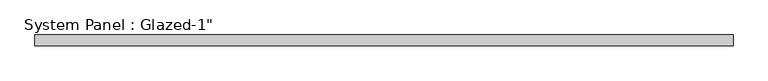
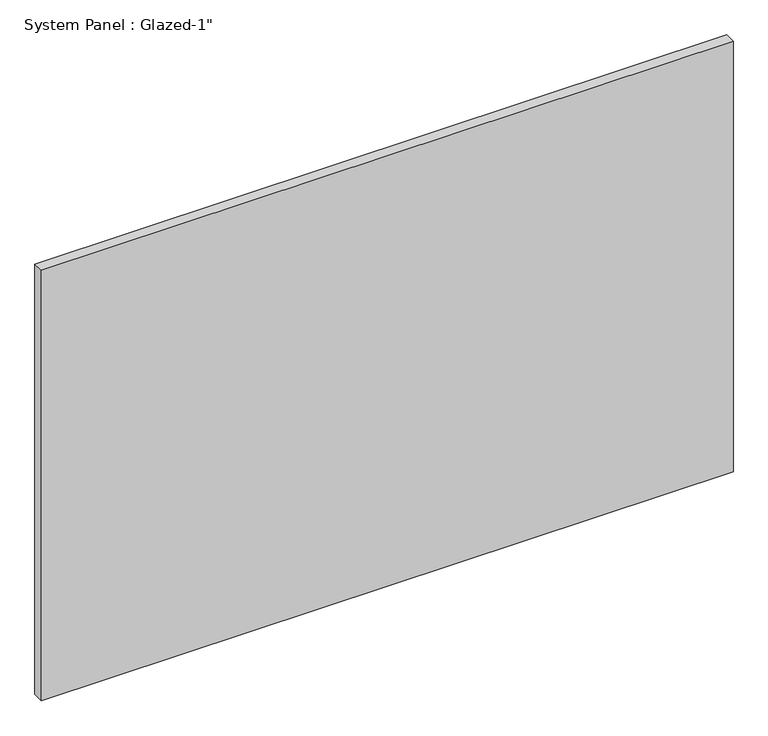
"""IFC4 building model written with IfcOpenShell, lengths in millimetres: plate geometry."""

import ifcopenshell
import ifcopenshell.guid

model = None  # the IFC model being written
_history = None  # IfcOwnerHistory: only IFC2X3 demands one
_inside = {}  # id of a spatial element -> (the spatial element, [elements in it])
_under = {}  # id of a project, library or spatial element -> (it, [spatial elements below it])
_declared = {}  # id of a project -> (the project, [libraries it declares])
_typed = {}  # id of a type object -> (the type object, [elements of that type])
_made_of = {}  # id of a material, layer set ... -> (it, [elements and type objects made of it])


def new_model(schema):
    """Start an empty IFC model of exactly this schema.

    Asked for "IFC4X3", IfcOpenShell would pick the latest addendum, in which some entities
    have other attributes; the version numbers below select the first issue.
    IFC2X3 requires an IfcOwnerHistory on every rooted entity: one is made here for all.
    """
    global model, _history
    if schema == "IFC4X3":
        model = ifcopenshell.file(schema_version=(4, 3, 0, 0))
    else:
        model = ifcopenshell.file(schema=schema)
    _inside.clear()
    _under.clear()
    _declared.clear()
    _typed.clear()
    _made_of.clear()
    _history = None
    if model.schema == "IFC2X3":
        org = make("IfcOrganization", Name="unknown")
        user = make(
            "IfcPersonAndOrganization",
            ThePerson=make("IfcPerson", FamilyName="unknown"),
            TheOrganization=org,
        )
        app = make(
            "IfcApplication",
            ApplicationDeveloper=org,
            Version="unknown",
            ApplicationFullName="unknown",
            ApplicationIdentifier="unknown",
        )
        _history = make(
            "IfcOwnerHistory",
            OwningUser=user,
            OwningApplication=app,
            ChangeAction="ADDED",
            CreationDate=0,
        )
    return model


def make(cls, **values):
    """One entity of the class cls with the attributes given. An attribute that is None is left unset."""
    return model.create_entity(
        cls, **{name: value for name, value in values.items() if value is not None}
    )


def rooted(cls, **values):
    """An entity with a GlobalId (a new one), such as an element, a storey or a relation."""
    return make(cls, GlobalId=ifcopenshell.guid.new(), OwnerHistory=_history, **values)


def si_unit(unit_type, name, prefix=None):
    """IfcSIUnit, for example si_unit("LENGTHUNIT", "METRE", prefix="MILLI")."""
    return make("IfcSIUnit", UnitType=unit_type, Prefix=prefix, Name=name)


def assignment(units):
    """IfcUnitAssignment: the units of a project."""
    return None if units is None else make("IfcUnitAssignment", Units=units)


def point(xyz):
    """IfcCartesianPoint."""
    return None if xyz is None else make("IfcCartesianPoint", Coordinates=xyz)


def direction(xyz):
    """IfcDirection."""
    return None if xyz is None else make("IfcDirection", DirectionRatios=xyz)


def frame(location, z_axis=None, x_axis=None):
    """IfcAxis2Placement3D, a coordinate frame: its origin and axes. An axis left out is left unset."""
    return make(
        "IfcAxis2Placement3D",
        Location=point(location),
        Axis=direction(z_axis),
        RefDirection=direction(x_axis),
    )


def origin():
    """The frame at (0, 0, 0) with its axes left unset."""
    return frame((0.0, 0.0, 0.0))


def origin_with_axes():
    """The frame at (0, 0, 0) with the z axis (0, 0, 1) and the x axis (1, 0, 0) written out."""
    return frame((0.0, 0.0, 0.0), z_axis=(0.0, 0.0, 1.0), x_axis=(1.0, 0.0, 0.0))


def place(relative_to, where):
    """IfcLocalPlacement: puts the frame where relative to a parent placement (None: the world)."""
    return make(
        "IfcLocalPlacement", PlacementRelTo=relative_to, RelativePlacement=where
    )


def context(
    kind, dimensions, precision=None, world=None, true_north=None, identifier=None
):
    """IfcGeometricRepresentationContext, for example the 3D "Model" context."""
    return make(
        "IfcGeometricRepresentationContext",
        ContextIdentifier=identifier,
        ContextType=kind,
        CoordinateSpaceDimension=dimensions,
        Precision=precision,
        WorldCoordinateSystem=world,
        TrueNorth=true_north,
    )


def project(units=None, contexts=None):
    """IfcProject with its units and contexts."""
    return rooted(
        "IfcProject",
        Name="project",
        RepresentationContexts=contexts,
        UnitsInContext=assignment(units),
    )


def spatial(cls, under=None, at=None, **own):
    """A site, building, storey or space (cls), placed at a placement, below another one or the project."""
    s = rooted(cls, ObjectPlacement=at, **own)
    if under is not None:
        _under.setdefault(under.id(), (under, []))[1].append(s)
    return s


def polyline(points):
    """IfcPolyline through the points."""
    return make("IfcPolyline", Points=[point(p) for p in points])


def outline(outer, holes=None, kind="AREA"):
    """IfcArbitraryClosedProfileDef: a profile drawn as a closed curve; with holes, ...WithVoids."""
    if holes is None:
        return make("IfcArbitraryClosedProfileDef", ProfileType=kind, OuterCurve=outer)
    return make(
        "IfcArbitraryProfileDefWithVoids",
        ProfileType=kind,
        OuterCurve=outer,
        InnerCurves=holes,
    )


def extrude(swept, where, along, depth):
    """IfcExtrudedAreaSolid: the profile swept, set in the frame where, extruded along a direction by depth."""
    return make(
        "IfcExtrudedAreaSolid",
        SweptArea=swept,
        Position=where,
        ExtrudedDirection=direction(along),
        Depth=depth,
    )


def shape(context_of_items, identifier, shape_type, items):
    """IfcShapeRepresentation: the items that make up one representation, for example the "Body"."""
    return make(
        "IfcShapeRepresentation",
        ContextOfItems=context_of_items,
        RepresentationIdentifier=identifier,
        RepresentationType=shape_type,
        Items=items,
    )


def source(mapping_origin, context_of_items, identifier, shape_type, items):
    """IfcRepresentationMap: a shape defined once, which mapped items show again and again."""
    return make(
        "IfcRepresentationMap",
        MappingOrigin=mapping_origin,
        MappedRepresentation=shape(context_of_items, identifier, shape_type, items),
    )


def transform(
    local_origin,
    x_axis=None,
    y_axis=None,
    z_axis=None,
    scale=None,
    scale2=None,
    scale3=None,
    uniform=True,
):
    """IfcCartesianTransformationOperator3D, or its non-uniform kind. x_axis, y_axis, z_axis: its Axis1, 2, 3."""
    if uniform:
        return make(
            "IfcCartesianTransformationOperator3D",
            Axis1=direction(x_axis),
            Axis2=direction(y_axis),
            LocalOrigin=point(local_origin),
            Scale=scale,
            Axis3=direction(z_axis),
        )
    return make(
        "IfcCartesianTransformationOperator3DnonUniform",
        Axis1=direction(x_axis),
        Axis2=direction(y_axis),
        LocalOrigin=point(local_origin),
        Scale=scale,
        Axis3=direction(z_axis),
        Scale2=scale2,
        Scale3=scale3,
    )


def mapped(mapping_source, mapping_target):
    """IfcMappedItem: shows the shape of a source again, moved by a transform."""
    return make(
        "IfcMappedItem", MappingSource=mapping_source, MappingTarget=mapping_target
    )


def made_of(thing, what):
    """Note that an element or type object is made of a material, layer set ...; save() writes the relation."""
    if what is not None:
        _made_of.setdefault(what.id(), (what, []))[1].append(thing)
    return thing


def element(
    cls,
    number,
    at=None,
    inside=None,
    cuts=None,
    type_object=None,
    material=None,
    context=None,
    identifier="Body",
    shape_type=None,
    held_by="IfcProductDefinitionShape",
    body=None,
    shapes=None,
    **own,
):
    """One element of the class cls, such as IfcWall. Its Tag is "e" and its number.

    at: its placement. inside: the storey or other place that contains it. cuts: it is an
    opening in that element (IfcRelVoidsElement). A single representation is given by context,
    identifier, shape_type and body (its items); several are given by shapes. held_by: the class
    of the entity that holds the representations. save() writes the other relations.
    """
    e = rooted(cls, Tag="e%d" % number, ObjectPlacement=at, **own)
    if body is not None:
        shapes = [shape(context, identifier, shape_type, body)]
    if shapes is not None:
        e.Representation = make(held_by, Representations=shapes)
    if inside is not None:
        _inside.setdefault(inside.id(), (inside, []))[1].append(e)
    if cuts is not None:
        rooted(
            "IfcRelVoidsElement", RelatingBuildingElement=cuts, RelatedOpeningElement=e
        )
    if type_object is not None:
        _typed.setdefault(type_object.id(), (type_object, []))[1].append(e)
    return made_of(e, material)


def aggregate(whole, parts):
    """IfcRelAggregates: a whole, such as a stair, and the parts it consists of."""
    return rooted("IfcRelAggregates", RelatingObject=whole, RelatedObjects=parts)


def save(model, path):
    """Write the relations noted so far, then the file.

    IfcRelAggregates (storeys below a building ...), IfcRelContainedInSpatialStructure (elements
    in a storey), IfcRelDefinesByType, IfcRelAssociatesMaterial and IfcRelDeclares: one each for
    every whole, place, type object, material and project.
    """
    for whole, parts in _under.values():
        aggregate(whole, parts)
    for where, things in _inside.values():
        rooted(
            "IfcRelContainedInSpatialStructure",
            RelatedElements=things,
            RelatingStructure=where,
        )
    for kind, things in _typed.values():
        rooted("IfcRelDefinesByType", RelatedObjects=things, RelatingType=kind)
    for what, things in _made_of.values():
        rooted("IfcRelAssociatesMaterial", RelatedObjects=things, RelatingMaterial=what)
    for by, libraries in _declared.values():
        rooted("IfcRelDeclares", RelatingContext=by, RelatedDefinitions=libraries)
    model.write(path)


def plate_9f681880(model_context):
    return source(origin(), model_context, "Body", "SweptSolid", [
        extrude(outline(polyline([(809.625292, 25.4), (-809.625292, 25.4), (-809.625292, 50.8), (809.625292, 50.8), (809.625292, 25.4)])), origin_with_axes(), (0.0, 0.0, 1.0), 1064.8893215),
    ])


if __name__ == "__main__":
    model = new_model("IFC4")
    model_context = context("Model", 3, world=origin())
    ifc_project = project(units=[si_unit("LENGTHUNIT", "METRE", prefix="MILLI")], contexts=[model_context])
    site = spatial("IfcSite", under=ifc_project)
    building = spatial("IfcBuilding", under=site)
    placement = place(None, origin())
    plate_shape = plate_9f681880(model_context)
    element("IfcPlate", 1, ObjectType="System Panel : Glazed-1\"", at=placement, inside=building, context=model_context, shape_type="MappedRepresentation", body=[
        mapped(plate_shape, transform((0.0, 0.0, 0.0), x_axis=(1.0, 0.0, 0.0), y_axis=(0.0, 1.0, 0.0), z_axis=(0.0, 0.0, 1.0))),
    ])
    save(model, "model.ifc")
